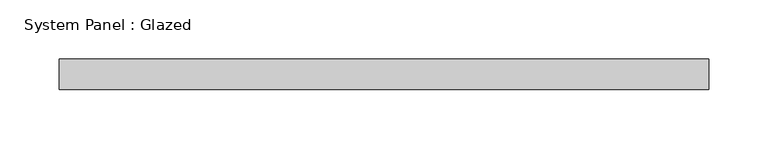
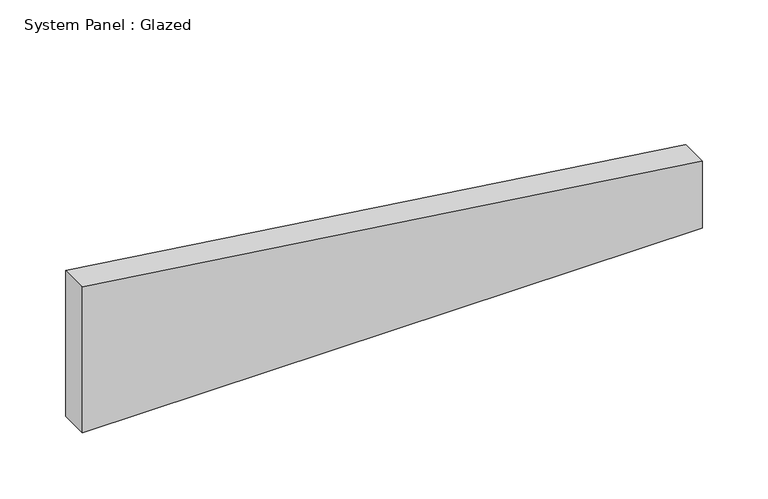
"""IFC4 building model written with IfcOpenShell, lengths in millimetres: plate geometry, System Panel : Glazed."""

from ifc_helpers import new_model, si_unit, frame, origin, place, context, project, spatial, polyline, outline, extrude, source, transform, mapped, element, save


def system_panel_glazed_9f423f5b(model_context):
    return source(origin(), model_context, "Body", "SweptSolid", [
        extrude(outline(polyline([(0.0, -273.05), (0.0, 273.05), (62.1915275, 273.05), (135.8816244, -273.05), (0.0, -273.05)])), frame((0.0, 19.05, 0.0), z_axis=(0.0, 1.0, 0.0), x_axis=(0.0, 0.0, 1.0)), (0.0, 0.0, 1.0), 25.4),
    ])


if __name__ == "__main__":
    model = new_model("IFC4")
    model_context = context("Model", 3, world=origin())
    ifc_project = project(units=[si_unit("LENGTHUNIT", "METRE", prefix="MILLI")], contexts=[model_context])
    site = spatial("IfcSite", under=ifc_project)
    building = spatial("IfcBuilding", under=site)
    placement = place(None, origin())
    system_panel_glazed_shape = system_panel_glazed_9f423f5b(model_context)
    element("IfcPlate", 1, ObjectType="System Panel : Glazed", at=placement, inside=building, context=model_context, shape_type="MappedRepresentation", body=[
        mapped(system_panel_glazed_shape, transform((0.0, 0.0, 0.0), x_axis=(1.0, 0.0, 0.0), y_axis=(0.0, 1.0, 0.0), z_axis=(0.0, 0.0, 1.0))),
    ])
    save(model, "model.ifc")
